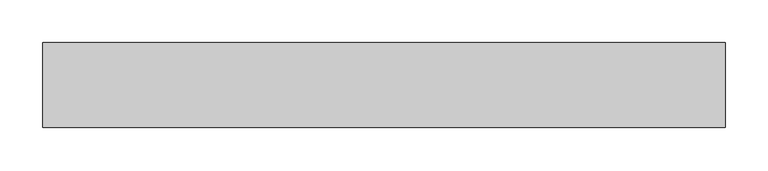
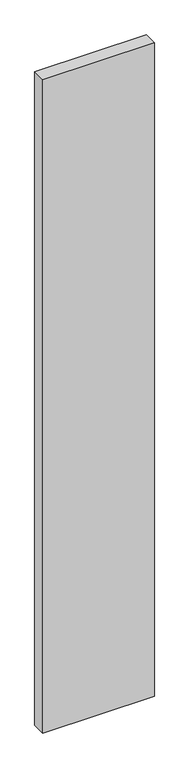
"""IFC4 building model written with IfcOpenShell, lengths in millimetres: proxy geometry."""

import ifcopenshell
import ifcopenshell.guid

model = None  # the IFC model being written
_history = None  # IfcOwnerHistory: only IFC2X3 demands one
_inside = {}  # id of a spatial element -> (the spatial element, [elements in it])
_under = {}  # id of a project, library or spatial element -> (it, [spatial elements below it])
_declared = {}  # id of a project -> (the project, [libraries it declares])
_typed = {}  # id of a type object -> (the type object, [elements of that type])
_made_of = {}  # id of a material, layer set ... -> (it, [elements and type objects made of it])


def new_model(schema):
    """Start an empty IFC model of exactly this schema.

    Asked for "IFC4X3", IfcOpenShell would pick the latest addendum, in which some entities
    have other attributes; the version numbers below select the first issue.
    IFC2X3 requires an IfcOwnerHistory on every rooted entity: one is made here for all.
    """
    global model, _history
    if schema == "IFC4X3":
        model = ifcopenshell.file(schema_version=(4, 3, 0, 0))
    else:
        model = ifcopenshell.file(schema=schema)
    _inside.clear()
    _under.clear()
    _declared.clear()
    _typed.clear()
    _made_of.clear()
    _history = None
    if model.schema == "IFC2X3":
        org = make("IfcOrganization", Name="unknown")
        user = make(
            "IfcPersonAndOrganization",
            ThePerson=make("IfcPerson", FamilyName="unknown"),
            TheOrganization=org,
        )
        app = make(
            "IfcApplication",
            ApplicationDeveloper=org,
            Version="unknown",
            ApplicationFullName="unknown",
            ApplicationIdentifier="unknown",
        )
        _history = make(
            "IfcOwnerHistory",
            OwningUser=user,
            OwningApplication=app,
            ChangeAction="ADDED",
            CreationDate=0,
        )
    return model


def make(cls, **values):
    """One entity of the class cls with the attributes given. An attribute that is None is left unset."""
    return model.create_entity(
        cls, **{name: value for name, value in values.items() if value is not None}
    )


def rooted(cls, **values):
    """An entity with a GlobalId (a new one), such as an element, a storey or a relation."""
    return make(cls, GlobalId=ifcopenshell.guid.new(), OwnerHistory=_history, **values)


def si_unit(unit_type, name, prefix=None):
    """IfcSIUnit, for example si_unit("LENGTHUNIT", "METRE", prefix="MILLI")."""
    return make("IfcSIUnit", UnitType=unit_type, Prefix=prefix, Name=name)


def assignment(units):
    """IfcUnitAssignment: the units of a project."""
    return None if units is None else make("IfcUnitAssignment", Units=units)


def point(xyz):
    """IfcCartesianPoint."""
    return None if xyz is None else make("IfcCartesianPoint", Coordinates=xyz)


def direction(xyz):
    """IfcDirection."""
    return None if xyz is None else make("IfcDirection", DirectionRatios=xyz)


def frame(location, z_axis=None, x_axis=None):
    """IfcAxis2Placement3D, a coordinate frame: its origin and axes. An axis left out is left unset."""
    return make(
        "IfcAxis2Placement3D",
        Location=point(location),
        Axis=direction(z_axis),
        RefDirection=direction(x_axis),
    )


def origin():
    """The frame at (0, 0, 0) with its axes left unset."""
    return frame((0.0, 0.0, 0.0))


def place(relative_to, where):
    """IfcLocalPlacement: puts the frame where relative to a parent placement (None: the world)."""
    return make(
        "IfcLocalPlacement", PlacementRelTo=relative_to, RelativePlacement=where
    )


def context(
    kind, dimensions, precision=None, world=None, true_north=None, identifier=None
):
    """IfcGeometricRepresentationContext, for example the 3D "Model" context."""
    return make(
        "IfcGeometricRepresentationContext",
        ContextIdentifier=identifier,
        ContextType=kind,
        CoordinateSpaceDimension=dimensions,
        Precision=precision,
        WorldCoordinateSystem=world,
        TrueNorth=true_north,
    )


def project(units=None, contexts=None):
    """IfcProject with its units and contexts."""
    return rooted(
        "IfcProject",
        Name="project",
        RepresentationContexts=contexts,
        UnitsInContext=assignment(units),
    )


def spatial(cls, under=None, at=None, **own):
    """A site, building, storey or space (cls), placed at a placement, below another one or the project."""
    s = rooted(cls, ObjectPlacement=at, **own)
    if under is not None:
        _under.setdefault(under.id(), (under, []))[1].append(s)
    return s


def polyline(points):
    """IfcPolyline through the points."""
    return make("IfcPolyline", Points=[point(p) for p in points])


def outline(outer, holes=None, kind="AREA"):
    """IfcArbitraryClosedProfileDef: a profile drawn as a closed curve; with holes, ...WithVoids."""
    if holes is None:
        return make("IfcArbitraryClosedProfileDef", ProfileType=kind, OuterCurve=outer)
    return make(
        "IfcArbitraryProfileDefWithVoids",
        ProfileType=kind,
        OuterCurve=outer,
        InnerCurves=holes,
    )


def extrude(swept, where, along, depth):
    """IfcExtrudedAreaSolid: the profile swept, set in the frame where, extruded along a direction by depth."""
    return make(
        "IfcExtrudedAreaSolid",
        SweptArea=swept,
        Position=where,
        ExtrudedDirection=direction(along),
        Depth=depth,
    )


def shape(context_of_items, identifier, shape_type, items):
    """IfcShapeRepresentation: the items that make up one representation, for example the "Body"."""
    return make(
        "IfcShapeRepresentation",
        ContextOfItems=context_of_items,
        RepresentationIdentifier=identifier,
        RepresentationType=shape_type,
        Items=items,
    )


def source(mapping_origin, context_of_items, identifier, shape_type, items):
    """IfcRepresentationMap: a shape defined once, which mapped items show again and again."""
    return make(
        "IfcRepresentationMap",
        MappingOrigin=mapping_origin,
        MappedRepresentation=shape(context_of_items, identifier, shape_type, items),
    )


def transform(
    local_origin,
    x_axis=None,
    y_axis=None,
    z_axis=None,
    scale=None,
    scale2=None,
    scale3=None,
    uniform=True,
):
    """IfcCartesianTransformationOperator3D, or its non-uniform kind. x_axis, y_axis, z_axis: its Axis1, 2, 3."""
    if uniform:
        return make(
            "IfcCartesianTransformationOperator3D",
            Axis1=direction(x_axis),
            Axis2=direction(y_axis),
            LocalOrigin=point(local_origin),
            Scale=scale,
            Axis3=direction(z_axis),
        )
    return make(
        "IfcCartesianTransformationOperator3DnonUniform",
        Axis1=direction(x_axis),
        Axis2=direction(y_axis),
        LocalOrigin=point(local_origin),
        Scale=scale,
        Axis3=direction(z_axis),
        Scale2=scale2,
        Scale3=scale3,
    )


def mapped(mapping_source, mapping_target):
    """IfcMappedItem: shows the shape of a source again, moved by a transform."""
    return make(
        "IfcMappedItem", MappingSource=mapping_source, MappingTarget=mapping_target
    )


def made_of(thing, what):
    """Note that an element or type object is made of a material, layer set ...; save() writes the relation."""
    if what is not None:
        _made_of.setdefault(what.id(), (what, []))[1].append(thing)
    return thing


def element(
    cls,
    number,
    at=None,
    inside=None,
    cuts=None,
    type_object=None,
    material=None,
    context=None,
    identifier="Body",
    shape_type=None,
    held_by="IfcProductDefinitionShape",
    body=None,
    shapes=None,
    **own,
):
    """One element of the class cls, such as IfcWall. Its Tag is "e" and its number.

    at: its placement. inside: the storey or other place that contains it. cuts: it is an
    opening in that element (IfcRelVoidsElement). A single representation is given by context,
    identifier, shape_type and body (its items); several are given by shapes. held_by: the class
    of the entity that holds the representations. save() writes the other relations.
    """
    e = rooted(cls, Tag="e%d" % number, ObjectPlacement=at, **own)
    if body is not None:
        shapes = [shape(context, identifier, shape_type, body)]
    if shapes is not None:
        e.Representation = make(held_by, Representations=shapes)
    if inside is not None:
        _inside.setdefault(inside.id(), (inside, []))[1].append(e)
    if cuts is not None:
        rooted(
            "IfcRelVoidsElement", RelatingBuildingElement=cuts, RelatedOpeningElement=e
        )
    if type_object is not None:
        _typed.setdefault(type_object.id(), (type_object, []))[1].append(e)
    return made_of(e, material)


def aggregate(whole, parts):
    """IfcRelAggregates: a whole, such as a stair, and the parts it consists of."""
    return rooted("IfcRelAggregates", RelatingObject=whole, RelatedObjects=parts)


def save(model, path):
    """Write the relations noted so far, then the file.

    IfcRelAggregates (storeys below a building ...), IfcRelContainedInSpatialStructure (elements
    in a storey), IfcRelDefinesByType, IfcRelAssociatesMaterial and IfcRelDeclares: one each for
    every whole, place, type object, material and project.
    """
    for whole, parts in _under.values():
        aggregate(whole, parts)
    for where, things in _inside.values():
        rooted(
            "IfcRelContainedInSpatialStructure",
            RelatedElements=things,
            RelatingStructure=where,
        )
    for kind, things in _typed.values():
        rooted("IfcRelDefinesByType", RelatedObjects=things, RelatingType=kind)
    for what, things in _made_of.values():
        rooted("IfcRelAssociatesMaterial", RelatedObjects=things, RelatingMaterial=what)
    for by, libraries in _declared.values():
        rooted("IfcRelDeclares", RelatingContext=by, RelatedDefinitions=libraries)
    model.write(path)


def generic_models_b778c9ab(model_context):
    return source(origin(), model_context, "Body", "SweptSolid", [
        extrude(outline(polyline([(800.0, 100.0), (800.0, 0.0), (0.0, 0.0), (0.0, 100.0), (800.0, 100.0)])), frame((0.0, 0.0, -4950.0), z_axis=(0.0, 0.0, 1.0), x_axis=(1.0, 0.0, 0.0)), (0.0, 0.0, 1.0), 4950.0),
    ])


if __name__ == "__main__":
    model = new_model("IFC4")
    model_context = context("Model", 3, world=origin())
    ifc_project = project(units=[si_unit("LENGTHUNIT", "METRE", prefix="MILLI")], contexts=[model_context])
    site = spatial("IfcSite", under=ifc_project)
    building = spatial("IfcBuilding", under=site)
    placement = place(None, origin())
    generic_models_shape = generic_models_b778c9ab(model_context)
    element("IfcBuildingElementProxy", 1, Name="Generic Models", at=placement, inside=building, context=model_context, shape_type="MappedRepresentation", body=[
        mapped(generic_models_shape, transform((0.0, 0.0, 0.0), x_axis=(1.0, 0.0, 0.0), y_axis=(0.0, 1.0, 0.0), z_axis=(0.0, 0.0, 1.0))),
    ])
    save(model, "model.ifc")
